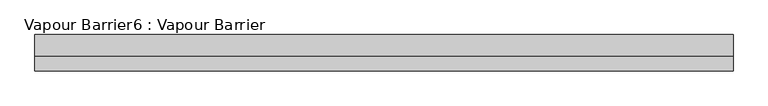
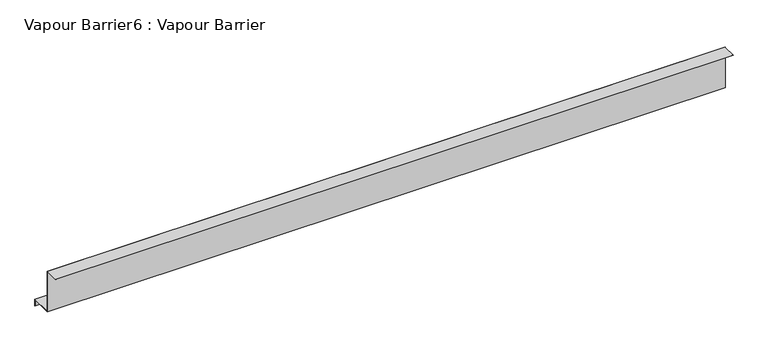
"""IFC4 building model written with IfcOpenShell, lengths in millimetres: proxy geometry, Vapour Barrier6 : Vapour Barrier."""

from ifc_helpers import new_model, si_unit, frame, origin, place, context, project, spatial, polyline, outline, extrude, source, transform, mapped, element, save


def vapour_barrier6_vapour_barrier_32f8657b(model_context):
    return source(origin(), model_context, "Body", "SweptSolid", [
        extrude(outline(polyline([(-32677.4913223, 1577.2848541), (-32677.4913223, 1425.8881858), (-32602.1455801, 1425.8881858), (-32602.1455801, 1401.6394721), (-32603.1455801, 1401.6394721), (-32603.1455801, 1424.8881858), (-32678.4913223, 1424.8881858), (-32678.4913223, 1576.2848541), (-32727.4913223, 1576.2848541), (-32727.4913223, 1577.2848541), (-32677.4913223, 1577.2848541)])), frame((6987.2859108, 0.0, 0.0), z_axis=(1.0, 0.0, 0.0), x_axis=(0.0, 1.0, 0.0)), (0.0, 0.0, 1.0), 2412.7200833),
    ])


if __name__ == "__main__":
    model = new_model("IFC4")
    model_context = context("Model", 3, world=origin())
    ifc_project = project(units=[si_unit("LENGTHUNIT", "METRE", prefix="MILLI")], contexts=[model_context])
    site = spatial("IfcSite", under=ifc_project)
    building = spatial("IfcBuilding", under=site)
    placement = place(None, origin())
    vapour_barrier6_vapour_barrier_shape = vapour_barrier6_vapour_barrier_32f8657b(model_context)
    element("IfcBuildingElementProxy", 1, Name="Vapour Barrier6 : Vapour Barrier", ObjectType="Vapour Barrier6 : Vapour Barrier", at=placement, inside=building, context=model_context, shape_type="MappedRepresentation", body=[
        mapped(vapour_barrier6_vapour_barrier_shape, transform((0.0, 0.0, 0.0), x_axis=(1.0, 0.0, 0.0), y_axis=(0.0, 1.0, 0.0), z_axis=(0.0, 0.0, 1.0))),
    ])
    save(model, "model.ifc")
